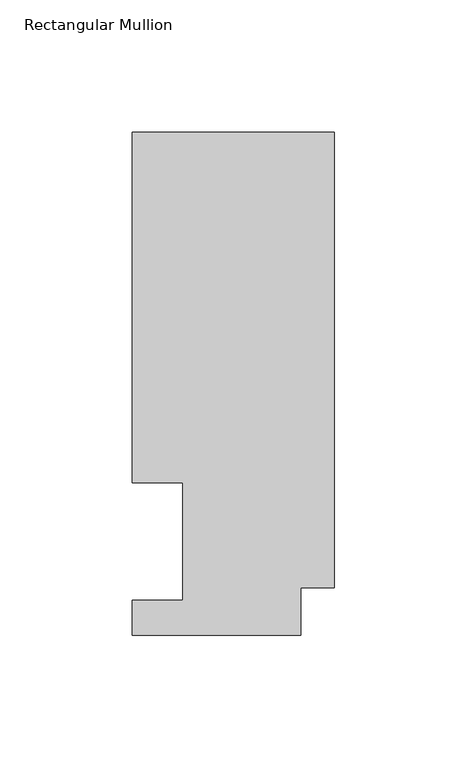
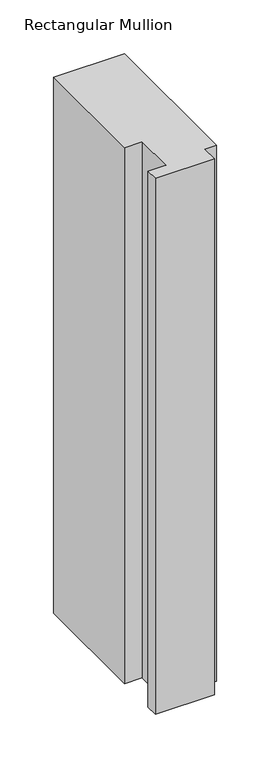
"""IFC4 building model written with IfcOpenShell, lengths in millimetres: member geometry, Rectangular Mullion."""

from ifc_helpers import new_model, si_unit, frame, origin, place, context, project, spatial, polyline, outline, extrude, source, transform, mapped, element, save


def rectangular_mullion_98ab70c8(model_context):
    return source(origin(), model_context, "Body", "SweptSolid", [
        extrude(outline(polyline([(-76.2, 189.8022938), (0.0, 189.8022938), (0.0, 17.9712938), (-12.7, 17.9712938), (-12.7, 0.0134938), (-76.2, 0.0134938), (-76.2, 13.1960938), (-57.15, 13.1960938), (-57.15, 57.6460937), (-76.2, 57.6460937), (-76.2, 189.8022938)])), frame((0.0, 0.0, -609.6), z_axis=(0.0, 0.0, 1.0), x_axis=(1.0, 0.0, 0.0)), (0.0, 0.0, 1.0), 609.6),
    ])


if __name__ == "__main__":
    model = new_model("IFC4")
    model_context = context("Model", 3, world=origin())
    ifc_project = project(units=[si_unit("LENGTHUNIT", "METRE", prefix="MILLI")], contexts=[model_context])
    site = spatial("IfcSite", under=ifc_project)
    building = spatial("IfcBuilding", under=site)
    placement = place(None, origin())
    rectangular_mullion_shape = rectangular_mullion_98ab70c8(model_context)
    element("IfcMember", 1, ObjectType="Rectangular Mullion", at=placement, inside=building, context=model_context, shape_type="MappedRepresentation", body=[
        mapped(rectangular_mullion_shape, transform((0.0, 0.0, 0.0), x_axis=(1.0, 0.0, 0.0), y_axis=(0.0, 1.0, 0.0), z_axis=(0.0, 0.0, 1.0))),
    ])
    save(model, "model.ifc")
